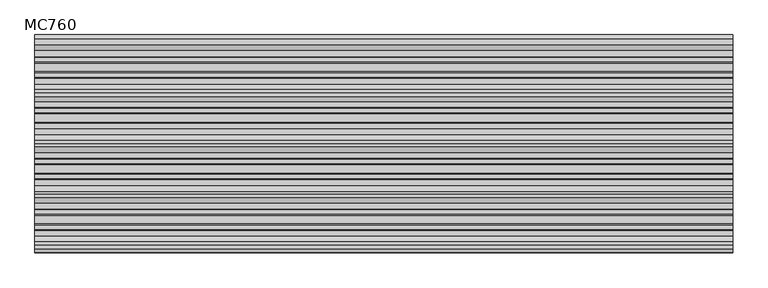
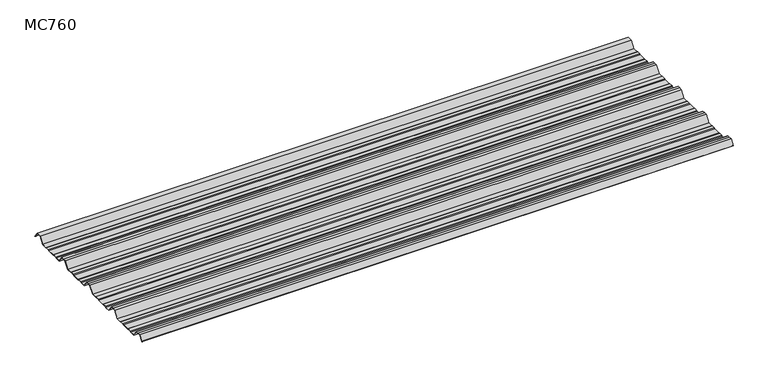
"""IFC4 building model written with IfcOpenShell, lengths in millimetres: beam geometry, MC760."""

from ifc_helpers import new_model, si_unit, point, frame, frame_2d, origin, place, context, project, spatial, polyline, circle_curve, trimmed, segment, composite_curve, outline, extrude, source, transform, mapped, element, save


def mc760_785494c2(model_context):
    return source(origin(), model_context, "Body", "SweptSolid", [
        extrude(outline(composite_curve([segment(polyline([(-157.5000859, -25.7896475), (-178.0745114, 2.2103525), (-190.0, 2.2103525), (-201.9254886, 2.2103525), (-222.4999141, -25.7896475), (-245.1975582, -25.7896475), (-248.4126024, -23.7494212), (-264.8405937, -23.7494212), (-269.2209114, -25.7896475), (-300.7790886, -25.7896475), (-305.1594063, -23.7494212), (-321.5873976, -23.7494212), (-324.8024418, -25.7896475), (-347.5000859, -25.7896475), (-368.0745114, 2.2103525), (-380.0, 2.2103525), (-391.9254886, 2.2103525), (-412.4999141, -25.7896475), (-435.1975582, -25.7896475), (-438.4126024, -23.7494212), (-454.8405937, -23.7494212), (-459.2209114, -25.7896475), (-490.7790886, -25.7896475), (-495.1594063, -23.7494212), (-511.5873976, -23.7494212), (-514.8024418, -25.7896475), (-537.5000859, -25.7896475), (-558.0745114, 2.2103525), (-570.0, 2.2103525), (-581.9254886, 2.2103525), (-602.4999141, -25.7896475), (-625.1975582, -25.7896475), (-628.4126024, -23.7494212), (-644.8405937, -23.7494212), (-649.2209114, -25.7896475), (-680.7790886, -25.7896475), (-685.1594063, -23.7494212), (-701.5873976, -23.7494212), (-704.8024418, -25.7896475), (-727.5000859, -25.7896475), (-748.0745114, 2.2103525), (-760.0, 2.2103525), (-771.9254886, 2.2103525), (-787.4770979, -18.9540324)]), True, "CONTINUOUS"), segment(trimmed(circle_curve(frame_2d((-787.9022179, -18.6416538)), 0.5275485), [point((-787.4770979, -18.9540324))], [point((-788.327338, -18.3292752))], False, "CARTESIAN"), True, "CONTINUOUS"), segment(polyline([(-788.327338, -18.3292752), (-772.5, 3.2103525), (-760.0, 3.2103525), (-747.5, 3.2103525), (-726.9255746, -24.7896475), (-705.0929563, -24.7896475), (-701.8779121, -22.7494212), (-684.9379428, -22.7494212), (-680.5576251, -24.7896475), (-649.4423749, -24.7896475), (-645.0620572, -22.7494212), (-628.1220879, -22.7494212), (-624.9070437, -24.7896475), (-603.0744254, -24.7896475), (-582.5, 3.2103525), (-570.0, 3.2103525), (-557.5, 3.2103525), (-536.9255746, -24.7896475), (-515.0929563, -24.7896475), (-511.8779121, -22.7494212), (-494.9379428, -22.7494212), (-490.5576251, -24.7896475), (-459.4423749, -24.7896475), (-455.0620572, -22.7494212), (-438.1220879, -22.7494212), (-434.9070437, -24.7896475), (-413.0744254, -24.7896475), (-392.5, 3.2103525), (-380.0, 3.2103525), (-367.5, 3.2103525), (-346.9255746, -24.7896475), (-325.0929563, -24.7896475), (-321.8779121, -22.7494212), (-304.9379428, -22.7494212), (-300.5576251, -24.7896475), (-269.4423749, -24.7896475), (-265.0620572, -22.7494212), (-248.1220879, -22.7494212), (-244.9070437, -24.7896475), (-223.0744254, -24.7896475), (-202.5, 3.2103525), (-190.0, 3.2103525), (-177.5, 3.2103525), (-156.9255746, -24.7896475), (-135.0929563, -24.7896475), (-131.8779121, -22.7494212), (-114.9379428, -22.7494212), (-110.5576251, -24.7896475), (-79.4423749, -24.7896475), (-75.0620572, -22.7494212), (-58.1220879, -22.7494212), (-54.9070437, -24.7896475), (-30.524173, -24.7896475), (-11.4193494, 1.2103525), (11.4193494, 1.2103525), (27.9327415, -21.262935)]), True, "CONTINUOUS"), segment(trimmed(circle_curve(frame_2d((27.5298212, -21.5590012)), 0.5), [point((27.9327415, -21.262935))], [point((27.1269009, -21.8550675))], False, "CARTESIAN"), True, "CONTINUOUS"), segment(polyline([(27.1269009, -21.8550675), (10.9132102, 0.2103525), (-10.9132102, 0.2103525), (-30.0180338, -25.7896475), (-55.1975582, -25.7896475), (-58.4126024, -23.7494212), (-74.8405937, -23.7494212), (-79.2209114, -25.7896475), (-110.7790886, -25.7896475), (-115.1594063, -23.7494212), (-131.5873976, -23.7494212), (-134.8024418, -25.7896475), (-157.5000859, -25.7896475)]), True, "CONTINUOUS")], self_intersect=False)), frame((-1305.1012987, 0.0, 0.0), z_axis=(1.0, 0.0, 0.0), x_axis=(0.0, 1.0, 0.0)), (0.0, 0.0, 1.0), 2610.2025973),
    ])


if __name__ == "__main__":
    model = new_model("IFC4")
    model_context = context("Model", 3, world=origin())
    ifc_project = project(units=[si_unit("LENGTHUNIT", "METRE", prefix="MILLI")], contexts=[model_context])
    site = spatial("IfcSite", under=ifc_project)
    building = spatial("IfcBuilding", under=site)
    placement = place(None, origin())
    mc760_shape = mc760_785494c2(model_context)
    element("IfcBeam", 1, ObjectType="MC760", at=placement, inside=building, context=model_context, shape_type="MappedRepresentation", body=[
        mapped(mc760_shape, transform((0.0, 0.0, 0.0), x_axis=(1.0, 0.0, 0.0), y_axis=(0.0, 1.0, 0.0), z_axis=(0.0, 0.0, 1.0))),
    ])
    save(model, "model.ifc")
